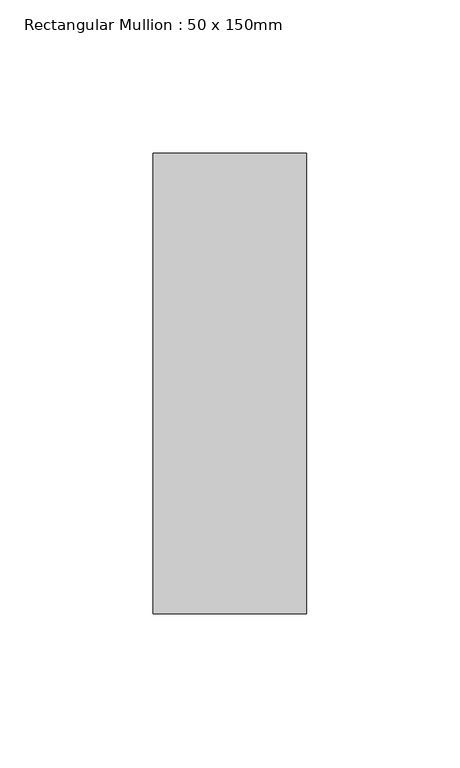
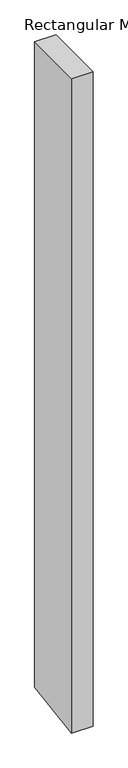
"""IFC4 building model written with IfcOpenShell, lengths in millimetres: member geometry, Rectangular Mullion : 50 x 150mm."""

from ifc_helpers import new_model, si_unit, frame, origin, place, context, project, spatial, polyline, outline, extrude, source, transform, mapped, element, save


def rectangular_mullion_50_x_150mm_96e452f4(model_context):
    return source(origin(), model_context, "Body", "SweptSolid", [
        extrude(outline(polyline([(-75.0, 0.0), (75.0, 0.0), (75.0, -1602.0277765), (-75.0, -1624.2236182), (-75.0, 0.0)])), frame((-50.0, 0.0, 0.0), z_axis=(1.0, 0.0, 0.0), x_axis=(0.0, 1.0, 0.0)), (0.0, 0.0, 1.0), 50.0),
    ])


if __name__ == "__main__":
    model = new_model("IFC4")
    model_context = context("Model", 3, world=origin())
    ifc_project = project(units=[si_unit("LENGTHUNIT", "METRE", prefix="MILLI")], contexts=[model_context])
    site = spatial("IfcSite", under=ifc_project)
    building = spatial("IfcBuilding", under=site)
    placement = place(None, origin())
    rectangular_mullion_50_x_150mm_shape = rectangular_mullion_50_x_150mm_96e452f4(model_context)
    element("IfcMember", 1, ObjectType="Rectangular Mullion : 50 x 150mm", at=placement, inside=building, context=model_context, shape_type="MappedRepresentation", body=[
        mapped(rectangular_mullion_50_x_150mm_shape, transform((0.0, 0.0, 0.0), x_axis=(1.0, 0.0, 0.0), y_axis=(0.0, 1.0, 0.0), z_axis=(0.0, 0.0, 1.0))),
    ])
    save(model, "model.ifc")
